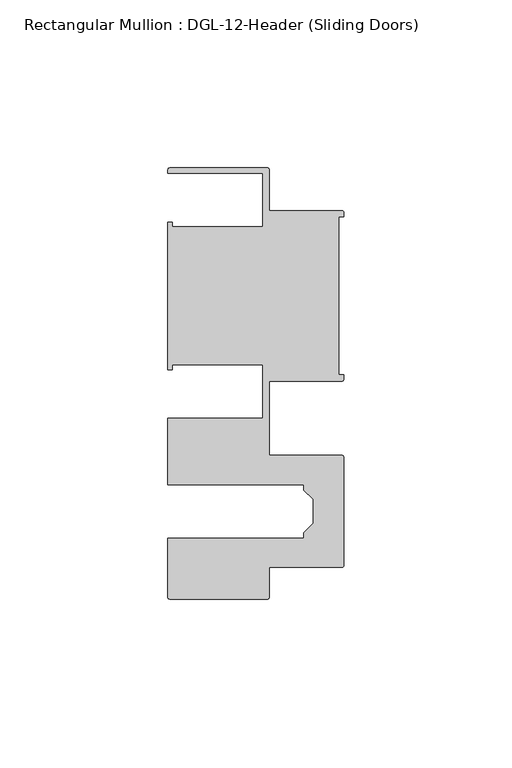
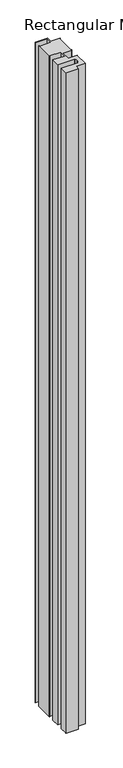
"""IFC4 building model written with IfcOpenShell, lengths in millimetres: member geometry, Rectangular Mullion : DGL-12-Header (Sliding Doors)."""

from ifc_helpers import new_model, si_unit, point, frame, frame_2d, origin, place, context, project, spatial, polyline, circle_curve, trimmed, segment, composite_curve, outline, extrude, source, transform, mapped, element, save


def rectangular_mullion_dgl_12_header_sliding_doors_296b778c(model_context):
    return source(origin(), model_context, "Body", "SweptSolid", [
        extrude(outline(composite_curve([segment(trimmed(circle_curve(frame_2d((-0.5953125, 24.8046875)), 0.5953125), [point((-0.5953125, 25.4))], [point((0.0, 24.8046875))], False, "CARTESIAN"), True, "CONTINUOUS"), segment(polyline([(0.0, 24.8046875), (0.0, 23.488176), (-1.5001875, 23.488176), (-1.5001875, -23.488176), (0.0, -23.488176), (0.0, -24.8046875)]), True, "CONTINUOUS"), segment(trimmed(circle_curve(frame_2d((-0.5953125, -24.8046875)), 0.5953125), [point((0.0, -24.8046875))], [point((-0.5953125, -25.4))], False, "CARTESIAN"), True, "CONTINUOUS"), segment(polyline([(-0.5953125, -25.4), (-22.2332898, -25.4), (-22.2332898, -47.513352), (-0.60357, -47.513352)]), True, "CONTINUOUS"), segment(trimmed(circle_curve(frame_2d((-0.60357, -48.1086645)), 0.5953125), [point((-0.60357, -47.513352))], [point((-0.0082575, -48.1086645))], False, "CARTESIAN"), True, "CONTINUOUS"), segment(polyline([(-0.0082575, -48.1086645), (-0.0082575, -80.2801715)]), True, "CONTINUOUS"), segment(trimmed(circle_curve(frame_2d((-0.60357, -80.2801715)), 0.5953125), [point((-0.0082575, -80.2801715))], [point((-0.60357, -80.875484))], False, "CARTESIAN"), True, "CONTINUOUS"), segment(polyline([(-0.60357, -80.875484), (-22.2032575, -80.875484), (-22.2032575, -89.7299227)]), True, "CONTINUOUS"), segment(trimmed(circle_curve(frame_2d((-22.79857, -89.7299227)), 0.5953125), [point((-22.2032575, -89.7299227))], [point((-22.79857, -90.3252352))], False, "CARTESIAN"), True, "CONTINUOUS"), segment(polyline([(-22.79857, -90.3252352), (-51.7968699, -90.3252352)]), True, "CONTINUOUS"), segment(trimmed(circle_curve(frame_2d((-51.7968699, -89.7299227)), 0.5953125), [point((-51.7968699, -90.3252352))], [point((-52.3921824, -89.7299227))], False, "CARTESIAN"), True, "CONTINUOUS"), segment(polyline([(-52.3921824, -89.7299227), (-52.3921824, -72.175484), (-11.8582575, -72.175484), (-11.8582575, -70.4941892), (-9.1582575, -67.7941892), (-9.1582575, -60.5946468), (-11.8582575, -57.8946468), (-11.8582575, -56.213352), (-52.3921824, -56.213352), (-52.3921824, -36.512516), (-24.0747898, -36.512516), (-24.0747898, -20.5916734), (-51.1362531, -20.5916734), (-51.1362531, -21.9710976), (-52.3921824, -21.9710976), (-52.3921824, 21.9710976), (-51.1362531, 21.9710976), (-51.1362531, 20.5916734), (-24.0747898, 20.5916734), (-24.0747898, 36.512516), (-52.3921824, 36.512516), (-52.3921824, 37.5043667)]), True, "CONTINUOUS"), segment(trimmed(circle_curve(frame_2d((-51.7968699, 37.5043667)), 0.5953125), [point((-52.3921824, 37.5043667))], [point((-51.7968699, 38.0996792))], False, "CARTESIAN"), True, "CONTINUOUS"), segment(polyline([(-51.7968699, 38.0996792), (-22.8286023, 38.0996792)]), True, "CONTINUOUS"), segment(trimmed(circle_curve(frame_2d((-22.8286023, 37.5043667)), 0.5953125), [point((-22.8286023, 38.0996792))], [point((-22.2332898, 37.5043667))], False, "CARTESIAN"), True, "CONTINUOUS"), segment(polyline([(-22.2332898, 37.5043667), (-22.2332898, 25.4), (-0.5953125, 25.4)]), True, "CONTINUOUS")], self_intersect=False)), frame((0.0, 0.0, -1676.4), z_axis=(0.0, 0.0, 1.0), x_axis=(1.0, 0.0, 0.0)), (0.0, 0.0, 1.0), 1676.4),
    ])


if __name__ == "__main__":
    model = new_model("IFC4")
    model_context = context("Model", 3, world=origin())
    ifc_project = project(units=[si_unit("LENGTHUNIT", "METRE", prefix="MILLI")], contexts=[model_context])
    site = spatial("IfcSite", under=ifc_project)
    building = spatial("IfcBuilding", under=site)
    placement = place(None, origin())
    rectangular_mullion_dgl_12_header_sliding_doors_shape = rectangular_mullion_dgl_12_header_sliding_doors_296b778c(model_context)
    element("IfcMember", 1, ObjectType="Rectangular Mullion : DGL-12-Header (Sliding Doors)", at=placement, inside=building, context=model_context, shape_type="MappedRepresentation", body=[
        mapped(rectangular_mullion_dgl_12_header_sliding_doors_shape, transform((0.0, 0.0, 0.0), x_axis=(1.0, 0.0, 0.0), y_axis=(0.0, 1.0, 0.0), z_axis=(0.0, 0.0, 1.0))),
    ])
    save(model, "model.ifc")
